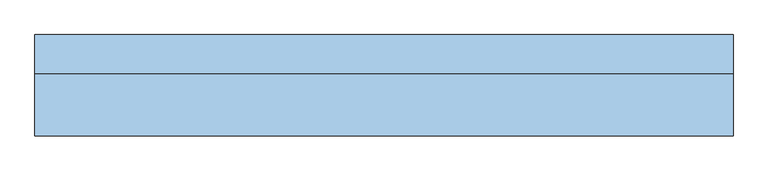
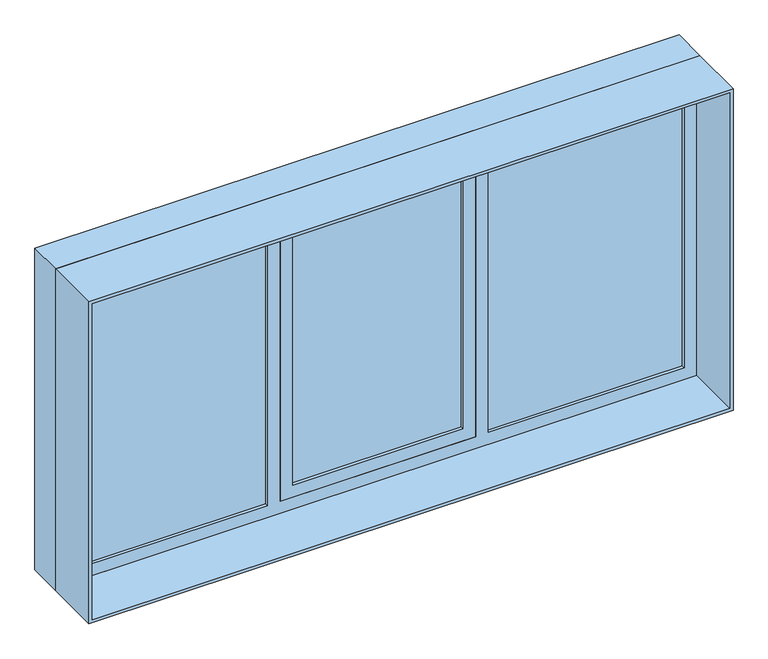
"""IFC4 building model written with IfcOpenShell, lengths in millimetres: window geometry."""

from ifc_helpers import new_model, si_unit, frame, origin, place, context, project, spatial, polyline, outline, extrude, source, transform, mapped, element, save


def window_793a81b9(model_context):
    return source(origin(), model_context, "Body", "SweptSolid", [
        extrude(outline(polyline([(2325.0, 460.0), (2325.0, -460.0), (875.0, -460.0), (875.0, 460.0), (2325.0, 460.0)]), holes=[polyline([(2265.0, 400.0), (935.0, 400.0), (935.0, -400.0), (2265.0, -400.0), (2265.0, 400.0)])]), frame((0.0, 125.0, 0.0), z_axis=(0.0, 1.0, 0.0), x_axis=(0.0, 0.0, 1.0)), (0.0, 0.0, 1.0), 60.0),
        extrude(outline(polyline([(2400.0, 1515.0), (2400.0, -1515.0), (800.0, -1515.0), (800.0, 1515.0), (2400.0, 1515.0)]), holes=[polyline([(815.0, 1500.0), (815.0, -1500.0), (2385.0, -1500.0), (2385.0, 1500.0), (815.0, 1500.0)])]), frame((0.0, -145.0, 0.0), z_axis=(0.0, 1.0, 0.0), x_axis=(0.0, 0.0, 1.0)), (0.0, 0.0, 1.0), 270.0),
        extrude(outline(polyline([(2400.0, -1515.0), (800.0, -1515.0), (800.0, 1515.0), (2400.0, 1515.0), (2400.0, -1515.0)]), holes=[polyline([(815.0, 1500.0), (815.0, -1500.0), (2385.0, -1500.0), (2385.0, 1500.0), (815.0, 1500.0)])]), frame((0.0, 125.0, 0.0), z_axis=(0.0, 1.0, 0.0), x_axis=(0.0, 0.0, 1.0)), (0.0, 0.0, 1.0), 170.0),
        extrude(outline(polyline([(1440.0, 140.0), (520.0, 140.0), (520.0, 170.0), (1440.0, 170.0), (1440.0, 140.0)])), frame((0.0, 0.0, 875.0), z_axis=(0.0, 0.0, 1.0), x_axis=(1.0, 0.0, 0.0)), (0.0, 0.0, 1.0), 1450.0),
        extrude(outline(polyline([(400.0, 140.0), (-400.0, 140.0), (-400.0, 170.0), (400.0, 170.0), (400.0, 140.0)])), frame((0.0, 0.0, 935.0), z_axis=(0.0, 0.0, 1.0), x_axis=(1.0, 0.0, 0.0)), (0.0, 0.0, 1.0), 1330.0),
        extrude(outline(polyline([(-520.0, 140.0), (-1440.0, 140.0), (-1440.0, 170.0), (-520.0, 170.0), (-520.0, 140.0)])), frame((0.0, 0.0, 875.0), z_axis=(0.0, 0.0, 1.0), x_axis=(1.0, 0.0, 0.0)), (0.0, 0.0, 1.0), 1450.0),
        extrude(outline(polyline([(2385.0, -1500.0), (800.0, -1500.0), (800.0, 1500.0), (2385.0, 1500.0), (2385.0, -1500.0)]), holes=[polyline([(2325.0, 520.0), (2325.0, 1440.0), (875.0, 1440.0), (875.0, 520.0), (2325.0, 520.0)]), polyline([(2325.0, -460.0), (2325.0, 460.0), (875.0, 460.0), (875.0, -460.0), (2325.0, -460.0)]), polyline([(2325.0, -1440.0), (2325.0, -520.0), (875.0, -520.0), (875.0, -1440.0), (2325.0, -1440.0)])]), frame((0.0, 125.0, 0.0), z_axis=(0.0, 1.0, 0.0), x_axis=(0.0, 0.0, 1.0)), (0.0, 0.0, 1.0), 60.0),
    ])


if __name__ == "__main__":
    model = new_model("IFC4")
    model_context = context("Model", 3, world=origin())
    ifc_project = project(units=[si_unit("LENGTHUNIT", "METRE", prefix="MILLI")], contexts=[model_context])
    site = spatial("IfcSite", under=ifc_project)
    building = spatial("IfcBuilding", under=site)
    placement = place(None, origin())
    window_shape = window_793a81b9(model_context)
    element("IfcWindow", 1, at=placement, inside=building, context=model_context, shape_type="MappedRepresentation", body=[
        mapped(window_shape, transform((0.0, 0.0, 0.0), x_axis=(1.0, 0.0, 0.0), y_axis=(0.0, 1.0, 0.0), z_axis=(0.0, 0.0, 1.0))),
    ])
    save(model, "model.ifc")
